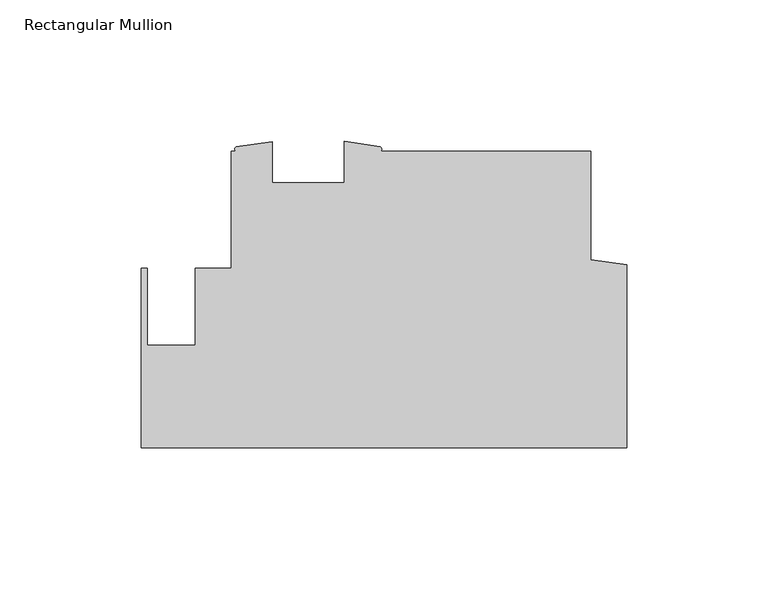
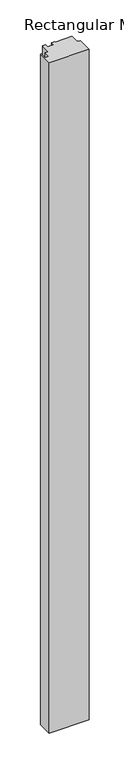
"""IFC4 building model written with IfcOpenShell, lengths in millimetres: member geometry, Rectangular Mullion."""

import ifcopenshell
import ifcopenshell.guid

model = None  # the IFC model being written
_history = None  # IfcOwnerHistory: only IFC2X3 demands one
_inside = {}  # id of a spatial element -> (the spatial element, [elements in it])
_under = {}  # id of a project, library or spatial element -> (it, [spatial elements below it])
_declared = {}  # id of a project -> (the project, [libraries it declares])
_typed = {}  # id of a type object -> (the type object, [elements of that type])
_made_of = {}  # id of a material, layer set ... -> (it, [elements and type objects made of it])


def new_model(schema):
    """Start an empty IFC model of exactly this schema.

    Asked for "IFC4X3", IfcOpenShell would pick the latest addendum, in which some entities
    have other attributes; the version numbers below select the first issue.
    IFC2X3 requires an IfcOwnerHistory on every rooted entity: one is made here for all.
    """
    global model, _history
    if schema == "IFC4X3":
        model = ifcopenshell.file(schema_version=(4, 3, 0, 0))
    else:
        model = ifcopenshell.file(schema=schema)
    _inside.clear()
    _under.clear()
    _declared.clear()
    _typed.clear()
    _made_of.clear()
    _history = None
    if model.schema == "IFC2X3":
        org = make("IfcOrganization", Name="unknown")
        user = make(
            "IfcPersonAndOrganization",
            ThePerson=make("IfcPerson", FamilyName="unknown"),
            TheOrganization=org,
        )
        app = make(
            "IfcApplication",
            ApplicationDeveloper=org,
            Version="unknown",
            ApplicationFullName="unknown",
            ApplicationIdentifier="unknown",
        )
        _history = make(
            "IfcOwnerHistory",
            OwningUser=user,
            OwningApplication=app,
            ChangeAction="ADDED",
            CreationDate=0,
        )
    return model


def make(cls, **values):
    """One entity of the class cls with the attributes given. An attribute that is None is left unset."""
    return model.create_entity(
        cls, **{name: value for name, value in values.items() if value is not None}
    )


def rooted(cls, **values):
    """An entity with a GlobalId (a new one), such as an element, a storey or a relation."""
    return make(cls, GlobalId=ifcopenshell.guid.new(), OwnerHistory=_history, **values)


def si_unit(unit_type, name, prefix=None):
    """IfcSIUnit, for example si_unit("LENGTHUNIT", "METRE", prefix="MILLI")."""
    return make("IfcSIUnit", UnitType=unit_type, Prefix=prefix, Name=name)


def assignment(units):
    """IfcUnitAssignment: the units of a project."""
    return None if units is None else make("IfcUnitAssignment", Units=units)


def point(xyz):
    """IfcCartesianPoint."""
    return None if xyz is None else make("IfcCartesianPoint", Coordinates=xyz)


def direction(xyz):
    """IfcDirection."""
    return None if xyz is None else make("IfcDirection", DirectionRatios=xyz)


def frame(location, z_axis=None, x_axis=None):
    """IfcAxis2Placement3D, a coordinate frame: its origin and axes. An axis left out is left unset."""
    return make(
        "IfcAxis2Placement3D",
        Location=point(location),
        Axis=direction(z_axis),
        RefDirection=direction(x_axis),
    )


def frame_2d(location, x_axis=None):
    """IfcAxis2Placement2D, a coordinate frame in the plane: its origin and x axis."""
    return make(
        "IfcAxis2Placement2D", Location=point(location), RefDirection=direction(x_axis)
    )


def origin():
    """The frame at (0, 0, 0) with its axes left unset."""
    return frame((0.0, 0.0, 0.0))


def place(relative_to, where):
    """IfcLocalPlacement: puts the frame where relative to a parent placement (None: the world)."""
    return make(
        "IfcLocalPlacement", PlacementRelTo=relative_to, RelativePlacement=where
    )


def context(
    kind, dimensions, precision=None, world=None, true_north=None, identifier=None
):
    """IfcGeometricRepresentationContext, for example the 3D "Model" context."""
    return make(
        "IfcGeometricRepresentationContext",
        ContextIdentifier=identifier,
        ContextType=kind,
        CoordinateSpaceDimension=dimensions,
        Precision=precision,
        WorldCoordinateSystem=world,
        TrueNorth=true_north,
    )


def project(units=None, contexts=None):
    """IfcProject with its units and contexts."""
    return rooted(
        "IfcProject",
        Name="project",
        RepresentationContexts=contexts,
        UnitsInContext=assignment(units),
    )


def spatial(cls, under=None, at=None, **own):
    """A site, building, storey or space (cls), placed at a placement, below another one or the project."""
    s = rooted(cls, ObjectPlacement=at, **own)
    if under is not None:
        _under.setdefault(under.id(), (under, []))[1].append(s)
    return s


def polyline(points):
    """IfcPolyline through the points."""
    return make("IfcPolyline", Points=[point(p) for p in points])


def circle_curve(where, radius):
    """IfcCircle in the frame where."""
    return make("IfcCircle", Position=where, Radius=radius)


def trimmed(basis, trim1, trim2, sense, master):
    """IfcTrimmedCurve: the piece of a basis curve between two trims."""
    return make(
        "IfcTrimmedCurve",
        BasisCurve=basis,
        Trim1=trim1,
        Trim2=trim2,
        SenseAgreement=sense,
        MasterRepresentation=master,
    )


def segment(curve, same_sense, transition):
    """IfcCompositeCurveSegment."""
    return make(
        "IfcCompositeCurveSegment",
        Transition=transition,
        SameSense=same_sense,
        ParentCurve=curve,
    )


def composite_curve(segments, self_intersect=None):
    """IfcCompositeCurve: segments joined end to end."""
    return make("IfcCompositeCurve", Segments=segments, SelfIntersect=self_intersect)


def outline(outer, holes=None, kind="AREA"):
    """IfcArbitraryClosedProfileDef: a profile drawn as a closed curve; with holes, ...WithVoids."""
    if holes is None:
        return make("IfcArbitraryClosedProfileDef", ProfileType=kind, OuterCurve=outer)
    return make(
        "IfcArbitraryProfileDefWithVoids",
        ProfileType=kind,
        OuterCurve=outer,
        InnerCurves=holes,
    )


def extrude(swept, where, along, depth):
    """IfcExtrudedAreaSolid: the profile swept, set in the frame where, extruded along a direction by depth."""
    return make(
        "IfcExtrudedAreaSolid",
        SweptArea=swept,
        Position=where,
        ExtrudedDirection=direction(along),
        Depth=depth,
    )


def shape(context_of_items, identifier, shape_type, items):
    """IfcShapeRepresentation: the items that make up one representation, for example the "Body"."""
    return make(
        "IfcShapeRepresentation",
        ContextOfItems=context_of_items,
        RepresentationIdentifier=identifier,
        RepresentationType=shape_type,
        Items=items,
    )


def source(mapping_origin, context_of_items, identifier, shape_type, items):
    """IfcRepresentationMap: a shape defined once, which mapped items show again and again."""
    return make(
        "IfcRepresentationMap",
        MappingOrigin=mapping_origin,
        MappedRepresentation=shape(context_of_items, identifier, shape_type, items),
    )


def transform(
    local_origin,
    x_axis=None,
    y_axis=None,
    z_axis=None,
    scale=None,
    scale2=None,
    scale3=None,
    uniform=True,
):
    """IfcCartesianTransformationOperator3D, or its non-uniform kind. x_axis, y_axis, z_axis: its Axis1, 2, 3."""
    if uniform:
        return make(
            "IfcCartesianTransformationOperator3D",
            Axis1=direction(x_axis),
            Axis2=direction(y_axis),
            LocalOrigin=point(local_origin),
            Scale=scale,
            Axis3=direction(z_axis),
        )
    return make(
        "IfcCartesianTransformationOperator3DnonUniform",
        Axis1=direction(x_axis),
        Axis2=direction(y_axis),
        LocalOrigin=point(local_origin),
        Scale=scale,
        Axis3=direction(z_axis),
        Scale2=scale2,
        Scale3=scale3,
    )


def mapped(mapping_source, mapping_target):
    """IfcMappedItem: shows the shape of a source again, moved by a transform."""
    return make(
        "IfcMappedItem", MappingSource=mapping_source, MappingTarget=mapping_target
    )


def made_of(thing, what):
    """Note that an element or type object is made of a material, layer set ...; save() writes the relation."""
    if what is not None:
        _made_of.setdefault(what.id(), (what, []))[1].append(thing)
    return thing


def element(
    cls,
    number,
    at=None,
    inside=None,
    cuts=None,
    type_object=None,
    material=None,
    context=None,
    identifier="Body",
    shape_type=None,
    held_by="IfcProductDefinitionShape",
    body=None,
    shapes=None,
    **own,
):
    """One element of the class cls, such as IfcWall. Its Tag is "e" and its number.

    at: its placement. inside: the storey or other place that contains it. cuts: it is an
    opening in that element (IfcRelVoidsElement). A single representation is given by context,
    identifier, shape_type and body (its items); several are given by shapes. held_by: the class
    of the entity that holds the representations. save() writes the other relations.
    """
    e = rooted(cls, Tag="e%d" % number, ObjectPlacement=at, **own)
    if body is not None:
        shapes = [shape(context, identifier, shape_type, body)]
    if shapes is not None:
        e.Representation = make(held_by, Representations=shapes)
    if inside is not None:
        _inside.setdefault(inside.id(), (inside, []))[1].append(e)
    if cuts is not None:
        rooted(
            "IfcRelVoidsElement", RelatingBuildingElement=cuts, RelatedOpeningElement=e
        )
    if type_object is not None:
        _typed.setdefault(type_object.id(), (type_object, []))[1].append(e)
    return made_of(e, material)


def aggregate(whole, parts):
    """IfcRelAggregates: a whole, such as a stair, and the parts it consists of."""
    return rooted("IfcRelAggregates", RelatingObject=whole, RelatedObjects=parts)


def save(model, path):
    """Write the relations noted so far, then the file.

    IfcRelAggregates (storeys below a building ...), IfcRelContainedInSpatialStructure (elements
    in a storey), IfcRelDefinesByType, IfcRelAssociatesMaterial and IfcRelDeclares: one each for
    every whole, place, type object, material and project.
    """
    for whole, parts in _under.values():
        aggregate(whole, parts)
    for where, things in _inside.values():
        rooted(
            "IfcRelContainedInSpatialStructure",
            RelatedElements=things,
            RelatingStructure=where,
        )
    for kind, things in _typed.values():
        rooted("IfcRelDefinesByType", RelatedObjects=things, RelatingType=kind)
    for what, things in _made_of.values():
        rooted("IfcRelAssociatesMaterial", RelatedObjects=things, RelatingMaterial=what)
    for by, libraries in _declared.values():
        rooted("IfcRelDeclares", RelatingContext=by, RelatedDefinitions=libraries)
    model.write(path)


def rectangular_mullion_db8bc5b3(model_context):
    return source(origin(), model_context, "Body", "SweptSolid", [
        extrude(outline(composite_curve([segment(polyline([(0.0, -62.7126), (-171.4499999, -62.7126), (-171.4499999, 0.7873996), (-169.4179999, 0.7873996), (-169.4179999, -26.3724009), (-152.5173426, -26.3724009), (-152.5173426, 0.7873996), (-139.7010309, 0.7873996), (-139.7010309, 42.0623997), (-137.9687934, 42.0623997)]), True, "CONTINUOUS"), segment(trimmed(circle_curve(frame_2d((-137.5407042, 42.8553478)), 0.9011255), [point((-137.9687934, 42.0623997))], [point((-137.9687934, 43.6482959))], False, "CARTESIAN"), True, "CONTINUOUS"), segment(polyline([(-137.9687934, 43.6482959), (-125.1975059, 45.4583997), (-125.1975059, 30.9498997), (-99.7975059, 30.9498997), (-99.7975059, 45.5819214), (-87.0244531, 43.7258041)]), True, "CONTINUOUS"), segment(trimmed(circle_curve(frame_2d((-87.5980802, 42.8941019)), 1.0103349), [point((-87.0244531, 43.7258041))], [point((-87.0244531, 42.0623997))], False, "CARTESIAN"), True, "CONTINUOUS"), segment(polyline([(-87.0244531, 42.0623997), (-12.7010309, 42.0623997), (-12.7010309, 3.7618671), (0.0, 1.9806238), (0.0, -62.7126)]), True, "CONTINUOUS")], self_intersect=False)), frame((0.0, 0.0, -3048.0), z_axis=(0.0, 0.0, 1.0), x_axis=(1.0, 0.0, 0.0)), (0.0, 0.0, 1.0), 3048.0),
    ])


if __name__ == "__main__":
    model = new_model("IFC4")
    model_context = context("Model", 3, world=origin())
    ifc_project = project(units=[si_unit("LENGTHUNIT", "METRE", prefix="MILLI")], contexts=[model_context])
    site = spatial("IfcSite", under=ifc_project)
    building = spatial("IfcBuilding", under=site)
    placement = place(None, origin())
    rectangular_mullion_shape = rectangular_mullion_db8bc5b3(model_context)
    element("IfcMember", 1, ObjectType="Rectangular Mullion", at=placement, inside=building, context=model_context, shape_type="MappedRepresentation", body=[
        mapped(rectangular_mullion_shape, transform((0.0, 0.0, 0.0), x_axis=(1.0, 0.0, 0.0), y_axis=(0.0, 1.0, 0.0), z_axis=(0.0, 0.0, 1.0))),
    ])
    save(model, "model.ifc")
